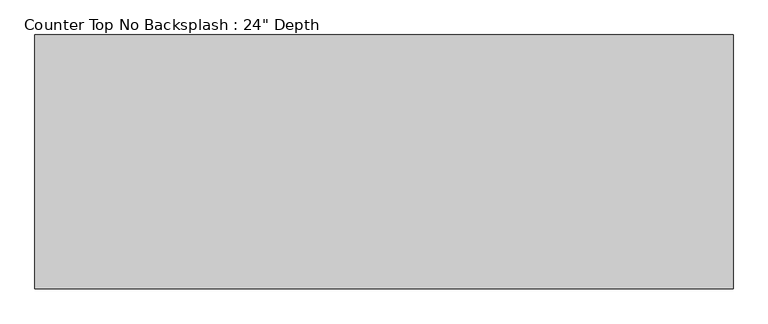
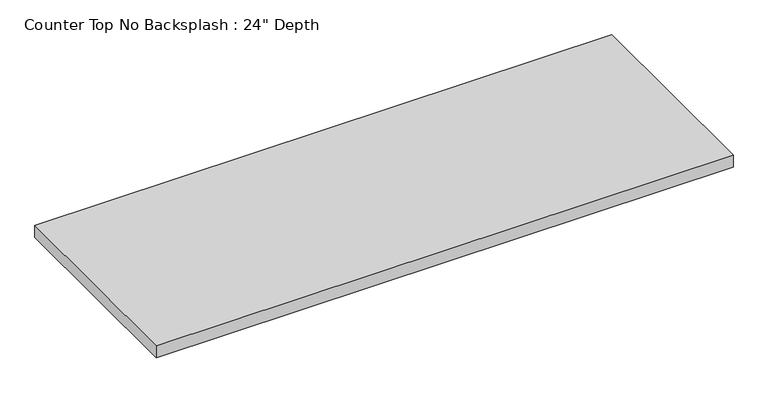
"""IFC4 building model written with IfcOpenShell, lengths in millimetres: furniture geometry."""

from ifc_helpers import new_model, si_unit, frame, origin, place, context, project, spatial, polyline, outline, extrude, source, transform, mapped, element, save


def furniture_15f0604d(model_context):
    return source(origin(), model_context, "Body", "SweptSolid", [
        extrude(outline(polyline([(545.2131226, 0.0), (545.2131226, -635.0), (-1200.4622951, -635.0), (-1200.4622951, 0.0), (545.2131226, 0.0)])), frame((0.0, 0.0, 876.3), z_axis=(0.0, 0.0, 1.0), x_axis=(1.0, 0.0, 0.0)), (0.0, 0.0, 1.0), 38.1),
    ])


if __name__ == "__main__":
    model = new_model("IFC4")
    model_context = context("Model", 3, world=origin())
    ifc_project = project(units=[si_unit("LENGTHUNIT", "METRE", prefix="MILLI")], contexts=[model_context])
    site = spatial("IfcSite", under=ifc_project)
    building = spatial("IfcBuilding", under=site)
    placement = place(None, origin())
    furniture_shape = furniture_15f0604d(model_context)
    element("IfcFurniture", 1, ObjectType="Counter Top No Backsplash : 24\" Depth", at=placement, inside=building, context=model_context, shape_type="MappedRepresentation", body=[
        mapped(furniture_shape, transform((0.0, 0.0, 0.0), x_axis=(1.0, 0.0, 0.0), y_axis=(0.0, 1.0, 0.0), z_axis=(0.0, 0.0, 1.0))),
    ])
    save(model, "model.ifc")
